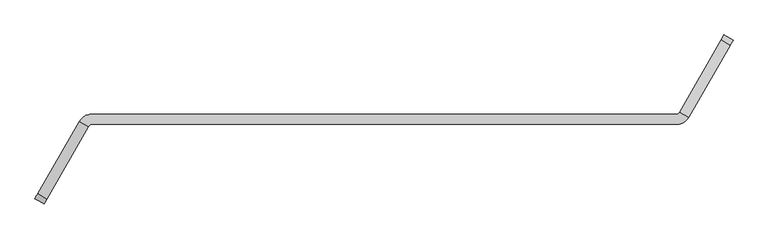
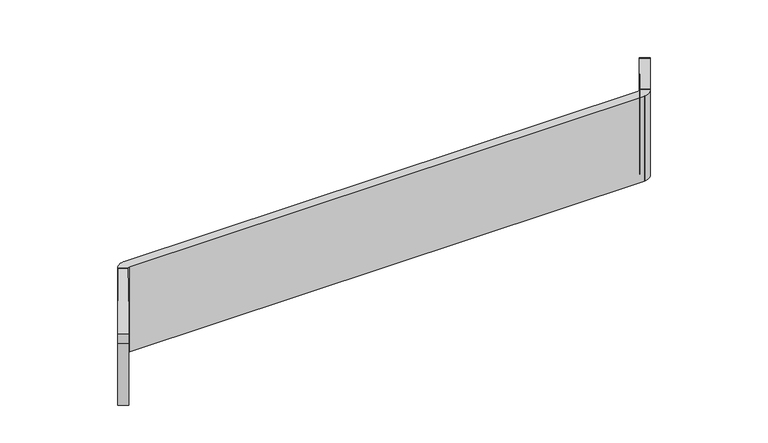
"""IFC4 building model written with IfcOpenShell, lengths in millimetres: furniture geometry."""

from ifc_helpers import new_model, si_unit, point, frame, frame_2d, origin, place, context, project, spatial, polyline, circle_curve, trimmed, segment, composite_curve, outline, extrude, source, transform, mapped, element, save


def furniture_162b5223(model_context):
    return source(origin(), model_context, "Body", "SweptSolid", [
        extrude(outline(composite_curve([segment(polyline([(24.6357364, 31.5838899), (96.0023032, -252.7303432), (-254.0471204, -252.7303432), (-254.0471204, 50.8), (0.0, 50.8)]), True, "CONTINUOUS"), segment(trimmed(circle_curve(frame_2d((0.0, 25.4000001)), 25.4), [point((0.0, 50.8))], [point((24.6357364, 31.5838899))], False, "CARTESIAN"), True, "CONTINUOUS")], self_intersect=False)), frame((1736.8946135, 271.1268756, 1006.5221204), z_axis=(-0.867040765573189, 0.4982372033823431, 0.0), x_axis=(0.0, 0.0, 1.0)), (0.0, 0.0, 1.0), 35.9627605),
        extrude(outline(composite_curve([segment(trimmed(circle_curve(frame_2d((0.0, 25.3999999)), 25.4), [point((-24.6357364, 31.5838899))], [point((0.0, 50.8))], False, "CARTESIAN"), True, "CONTINUOUS"), segment(polyline([(0.0, 50.8), (254.0471204, 50.8), (254.0471204, -252.7303433), (-96.0023032, -252.7303433), (-24.6357364, 31.5838899)]), True, "CONTINUOUS")], self_intersect=False)), frame((-564.7263264, -199.7084847, 1006.5221204), z_axis=(-0.8670407655731922, 0.4982372033823375, 0.0), x_axis=(0.0, 0.0, -1.0)), (0.0, 0.0, 1.0), 35.9627605),
        extrude(outline(composite_curve([segment(trimmed(circle_curve(frame_2d((1566.2326319, 76.4062786)), 15.0353716), [point((1570.4073623, 61.9621094))], [point((1579.7952673, 69.9164928))], True, "CARTESIAN"), True, "CONTINUOUS"), segment(polyline([(1579.7952673, 69.9164928), (1610.9359467, 52.0217805)]), True, "CONTINUOUS"), segment(trimmed(circle_curve(frame_2d((1567.4577624, 76.8802718)), 50.0829023), [point((1610.9359467, 52.0217805))], [point((1578.2224902, 27.9679243))], False, "CARTESIAN"), True, "CONTINUOUS"), segment(trimmed(circle_curve(frame_2d((1572.7630604, 52.7742667)), 25.4), [point((1578.2224902, 27.9679243))], [point((1572.7630604, 27.3742667))], False, "CARTESIAN"), True, "CONTINUOUS"), segment(polyline([(1572.7630604, 27.3742667), (-429.4202545, 27.3742667)]), True, "CONTINUOUS"), segment(trimmed(circle_curve(frame_2d((-425.2455241, 12.9300975)), 15.0353716), [point((-429.4202545, 27.3742667))], [point((-438.8081595, 19.4198833))], True, "CARTESIAN"), True, "CONTINUOUS"), segment(polyline([(-438.8081595, 19.4198833), (-469.948839, 37.3145956)]), True, "CONTINUOUS"), segment(trimmed(circle_curve(frame_2d((-426.4706546, 12.4561043)), 50.0829023), [point((-469.948839, 37.3145956))], [point((-437.2353824, 61.3684518))], False, "CARTESIAN"), True, "CONTINUOUS"), segment(trimmed(circle_curve(frame_2d((-431.7759527, 36.5621094)), 25.4), [point((-437.2353824, 61.3684518))], [point((-431.7759527, 61.9621094))], False, "CARTESIAN"), True, "CONTINUOUS"), segment(polyline([(-431.7759527, 61.9621094), (1570.4073623, 61.9621094)]), True, "CONTINUOUS")], self_intersect=False)), frame((0.0, 0.0, 752.475), z_axis=(0.0, 0.0, 1.0), x_axis=(1.0, 0.0, 0.0)), (0.0, 0.0, 1.0), 350.04375),
    ])


if __name__ == "__main__":
    model = new_model("IFC4")
    model_context = context("Model", 3, world=origin())
    ifc_project = project(units=[si_unit("LENGTHUNIT", "METRE", prefix="MILLI")], contexts=[model_context])
    site = spatial("IfcSite", under=ifc_project)
    building = spatial("IfcBuilding", under=site)
    placement = place(None, origin())
    furniture_shape = furniture_162b5223(model_context)
    element("IfcFurniture", 1, at=placement, inside=building, context=model_context, shape_type="MappedRepresentation", body=[
        mapped(furniture_shape, transform((0.0, 0.0, 0.0), x_axis=(1.0, 0.0, 0.0), y_axis=(0.0, 1.0, 0.0), z_axis=(0.0, 0.0, 1.0))),
    ])
    save(model, "model.ifc")
